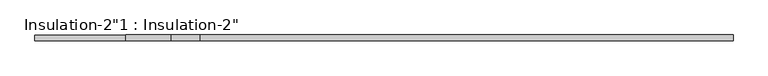
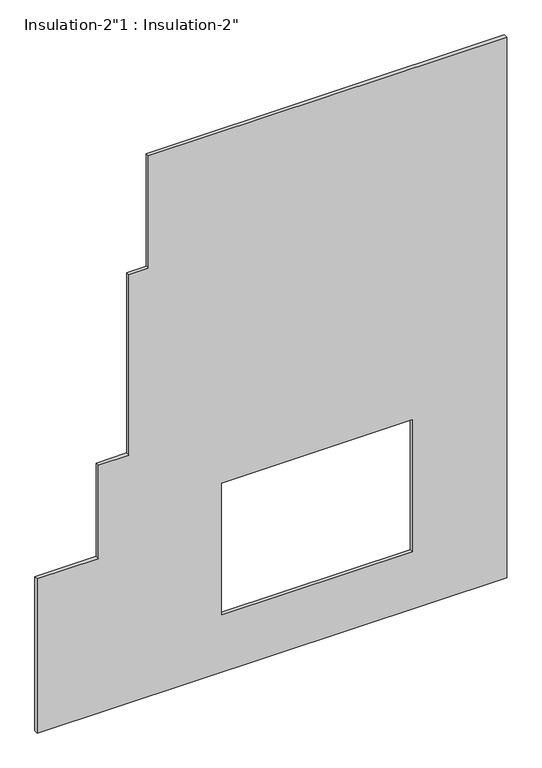
"""IFC4 building model written with IfcOpenShell, lengths in millimetres: proxy geometry."""

from ifc_helpers import new_model, si_unit, frame, origin, place, context, project, spatial, polyline, outline, extrude, source, transform, mapped, element, save


def proxy_3af69849(model_context):
    return source(origin(), model_context, "Body", "SweptSolid", [
        extrude(outline(polyline([(3120.0, -25234.1749894), (10500.0, -25234.1749894), (10500.0, -29860.9271091), (8964.0685499, -29860.9271091), (8964.0685499, -30114.1749894), (6500.0, -30114.1749894), (6500.0, -30508.8019631), (5225.5723649, -30508.8019631), (5225.5723649, -31298.9215743), (3120.0, -31298.9215743), (3120.0, -25234.1749894)]), holes=[polyline([(5700.0, -28914.1749894), (5700.0, -26454.1749894), (3900.0, -26454.1749894), (3900.0, -28914.1749894), (5700.0, -28914.1749894)])]), frame((0.0, -703.0, 0.0), z_axis=(0.0, 1.0, 0.0), x_axis=(0.0, 0.0, 1.0)), (0.0, 0.0, 1.0), 50.0),
    ])


if __name__ == "__main__":
    model = new_model("IFC4")
    model_context = context("Model", 3, world=origin())
    ifc_project = project(units=[si_unit("LENGTHUNIT", "METRE", prefix="MILLI")], contexts=[model_context])
    site = spatial("IfcSite", under=ifc_project)
    building = spatial("IfcBuilding", under=site)
    placement = place(None, origin())
    proxy_shape = proxy_3af69849(model_context)
    element("IfcBuildingElementProxy", 1, Name="Insulation-2\"1 : Insulation-2\"", ObjectType="Insulation-2\"1 : Insulation-2\"", at=placement, inside=building, context=model_context, shape_type="MappedRepresentation", body=[
        mapped(proxy_shape, transform((0.0, 0.0, 0.0), x_axis=(1.0, 0.0, 0.0), y_axis=(0.0, 1.0, 0.0), z_axis=(0.0, 0.0, 1.0))),
    ])
    save(model, "model.ifc")
